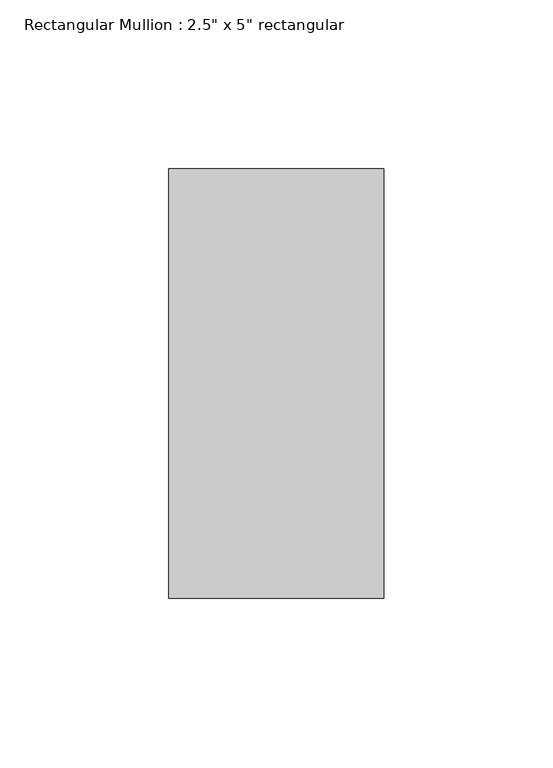
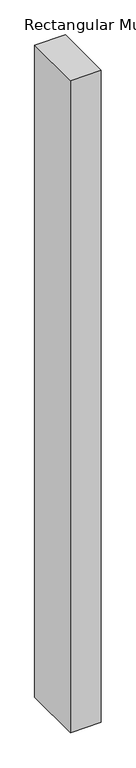
"""IFC4 building model written with IfcOpenShell, lengths in millimetres: member geometry."""

import ifcopenshell
import ifcopenshell.guid

model = None  # the IFC model being written
_history = None  # IfcOwnerHistory: only IFC2X3 demands one
_inside = {}  # id of a spatial element -> (the spatial element, [elements in it])
_under = {}  # id of a project, library or spatial element -> (it, [spatial elements below it])
_declared = {}  # id of a project -> (the project, [libraries it declares])
_typed = {}  # id of a type object -> (the type object, [elements of that type])
_made_of = {}  # id of a material, layer set ... -> (it, [elements and type objects made of it])


def new_model(schema):
    """Start an empty IFC model of exactly this schema.

    Asked for "IFC4X3", IfcOpenShell would pick the latest addendum, in which some entities
    have other attributes; the version numbers below select the first issue.
    IFC2X3 requires an IfcOwnerHistory on every rooted entity: one is made here for all.
    """
    global model, _history
    if schema == "IFC4X3":
        model = ifcopenshell.file(schema_version=(4, 3, 0, 0))
    else:
        model = ifcopenshell.file(schema=schema)
    _inside.clear()
    _under.clear()
    _declared.clear()
    _typed.clear()
    _made_of.clear()
    _history = None
    if model.schema == "IFC2X3":
        org = make("IfcOrganization", Name="unknown")
        user = make(
            "IfcPersonAndOrganization",
            ThePerson=make("IfcPerson", FamilyName="unknown"),
            TheOrganization=org,
        )
        app = make(
            "IfcApplication",
            ApplicationDeveloper=org,
            Version="unknown",
            ApplicationFullName="unknown",
            ApplicationIdentifier="unknown",
        )
        _history = make(
            "IfcOwnerHistory",
            OwningUser=user,
            OwningApplication=app,
            ChangeAction="ADDED",
            CreationDate=0,
        )
    return model


def make(cls, **values):
    """One entity of the class cls with the attributes given. An attribute that is None is left unset."""
    return model.create_entity(
        cls, **{name: value for name, value in values.items() if value is not None}
    )


def rooted(cls, **values):
    """An entity with a GlobalId (a new one), such as an element, a storey or a relation."""
    return make(cls, GlobalId=ifcopenshell.guid.new(), OwnerHistory=_history, **values)


def si_unit(unit_type, name, prefix=None):
    """IfcSIUnit, for example si_unit("LENGTHUNIT", "METRE", prefix="MILLI")."""
    return make("IfcSIUnit", UnitType=unit_type, Prefix=prefix, Name=name)


def assignment(units):
    """IfcUnitAssignment: the units of a project."""
    return None if units is None else make("IfcUnitAssignment", Units=units)


def point(xyz):
    """IfcCartesianPoint."""
    return None if xyz is None else make("IfcCartesianPoint", Coordinates=xyz)


def direction(xyz):
    """IfcDirection."""
    return None if xyz is None else make("IfcDirection", DirectionRatios=xyz)


def frame(location, z_axis=None, x_axis=None):
    """IfcAxis2Placement3D, a coordinate frame: its origin and axes. An axis left out is left unset."""
    return make(
        "IfcAxis2Placement3D",
        Location=point(location),
        Axis=direction(z_axis),
        RefDirection=direction(x_axis),
    )


def origin():
    """The frame at (0, 0, 0) with its axes left unset."""
    return frame((0.0, 0.0, 0.0))


def place(relative_to, where):
    """IfcLocalPlacement: puts the frame where relative to a parent placement (None: the world)."""
    return make(
        "IfcLocalPlacement", PlacementRelTo=relative_to, RelativePlacement=where
    )


def context(
    kind, dimensions, precision=None, world=None, true_north=None, identifier=None
):
    """IfcGeometricRepresentationContext, for example the 3D "Model" context."""
    return make(
        "IfcGeometricRepresentationContext",
        ContextIdentifier=identifier,
        ContextType=kind,
        CoordinateSpaceDimension=dimensions,
        Precision=precision,
        WorldCoordinateSystem=world,
        TrueNorth=true_north,
    )


def project(units=None, contexts=None):
    """IfcProject with its units and contexts."""
    return rooted(
        "IfcProject",
        Name="project",
        RepresentationContexts=contexts,
        UnitsInContext=assignment(units),
    )


def spatial(cls, under=None, at=None, **own):
    """A site, building, storey or space (cls), placed at a placement, below another one or the project."""
    s = rooted(cls, ObjectPlacement=at, **own)
    if under is not None:
        _under.setdefault(under.id(), (under, []))[1].append(s)
    return s


def polyline(points):
    """IfcPolyline through the points."""
    return make("IfcPolyline", Points=[point(p) for p in points])


def outline(outer, holes=None, kind="AREA"):
    """IfcArbitraryClosedProfileDef: a profile drawn as a closed curve; with holes, ...WithVoids."""
    if holes is None:
        return make("IfcArbitraryClosedProfileDef", ProfileType=kind, OuterCurve=outer)
    return make(
        "IfcArbitraryProfileDefWithVoids",
        ProfileType=kind,
        OuterCurve=outer,
        InnerCurves=holes,
    )


def extrude(swept, where, along, depth):
    """IfcExtrudedAreaSolid: the profile swept, set in the frame where, extruded along a direction by depth."""
    return make(
        "IfcExtrudedAreaSolid",
        SweptArea=swept,
        Position=where,
        ExtrudedDirection=direction(along),
        Depth=depth,
    )


def shape(context_of_items, identifier, shape_type, items):
    """IfcShapeRepresentation: the items that make up one representation, for example the "Body"."""
    return make(
        "IfcShapeRepresentation",
        ContextOfItems=context_of_items,
        RepresentationIdentifier=identifier,
        RepresentationType=shape_type,
        Items=items,
    )


def source(mapping_origin, context_of_items, identifier, shape_type, items):
    """IfcRepresentationMap: a shape defined once, which mapped items show again and again."""
    return make(
        "IfcRepresentationMap",
        MappingOrigin=mapping_origin,
        MappedRepresentation=shape(context_of_items, identifier, shape_type, items),
    )


def transform(
    local_origin,
    x_axis=None,
    y_axis=None,
    z_axis=None,
    scale=None,
    scale2=None,
    scale3=None,
    uniform=True,
):
    """IfcCartesianTransformationOperator3D, or its non-uniform kind. x_axis, y_axis, z_axis: its Axis1, 2, 3."""
    if uniform:
        return make(
            "IfcCartesianTransformationOperator3D",
            Axis1=direction(x_axis),
            Axis2=direction(y_axis),
            LocalOrigin=point(local_origin),
            Scale=scale,
            Axis3=direction(z_axis),
        )
    return make(
        "IfcCartesianTransformationOperator3DnonUniform",
        Axis1=direction(x_axis),
        Axis2=direction(y_axis),
        LocalOrigin=point(local_origin),
        Scale=scale,
        Axis3=direction(z_axis),
        Scale2=scale2,
        Scale3=scale3,
    )


def mapped(mapping_source, mapping_target):
    """IfcMappedItem: shows the shape of a source again, moved by a transform."""
    return make(
        "IfcMappedItem", MappingSource=mapping_source, MappingTarget=mapping_target
    )


def made_of(thing, what):
    """Note that an element or type object is made of a material, layer set ...; save() writes the relation."""
    if what is not None:
        _made_of.setdefault(what.id(), (what, []))[1].append(thing)
    return thing


def element(
    cls,
    number,
    at=None,
    inside=None,
    cuts=None,
    type_object=None,
    material=None,
    context=None,
    identifier="Body",
    shape_type=None,
    held_by="IfcProductDefinitionShape",
    body=None,
    shapes=None,
    **own,
):
    """One element of the class cls, such as IfcWall. Its Tag is "e" and its number.

    at: its placement. inside: the storey or other place that contains it. cuts: it is an
    opening in that element (IfcRelVoidsElement). A single representation is given by context,
    identifier, shape_type and body (its items); several are given by shapes. held_by: the class
    of the entity that holds the representations. save() writes the other relations.
    """
    e = rooted(cls, Tag="e%d" % number, ObjectPlacement=at, **own)
    if body is not None:
        shapes = [shape(context, identifier, shape_type, body)]
    if shapes is not None:
        e.Representation = make(held_by, Representations=shapes)
    if inside is not None:
        _inside.setdefault(inside.id(), (inside, []))[1].append(e)
    if cuts is not None:
        rooted(
            "IfcRelVoidsElement", RelatingBuildingElement=cuts, RelatedOpeningElement=e
        )
    if type_object is not None:
        _typed.setdefault(type_object.id(), (type_object, []))[1].append(e)
    return made_of(e, material)


def aggregate(whole, parts):
    """IfcRelAggregates: a whole, such as a stair, and the parts it consists of."""
    return rooted("IfcRelAggregates", RelatingObject=whole, RelatedObjects=parts)


def save(model, path):
    """Write the relations noted so far, then the file.

    IfcRelAggregates (storeys below a building ...), IfcRelContainedInSpatialStructure (elements
    in a storey), IfcRelDefinesByType, IfcRelAssociatesMaterial and IfcRelDeclares: one each for
    every whole, place, type object, material and project.
    """
    for whole, parts in _under.values():
        aggregate(whole, parts)
    for where, things in _inside.values():
        rooted(
            "IfcRelContainedInSpatialStructure",
            RelatedElements=things,
            RelatingStructure=where,
        )
    for kind, things in _typed.values():
        rooted("IfcRelDefinesByType", RelatedObjects=things, RelatingType=kind)
    for what, things in _made_of.values():
        rooted("IfcRelAssociatesMaterial", RelatedObjects=things, RelatingMaterial=what)
    for by, libraries in _declared.values():
        rooted("IfcRelDeclares", RelatingContext=by, RelatedDefinitions=libraries)
    model.write(path)


def member_23996847(model_context):
    return source(origin(), model_context, "Body", "SweptSolid", [
        extrude(outline(polyline([(0.0, 63.5), (0.0, -63.5), (-63.5, -63.5), (-63.5, 63.5), (0.0, 63.5)])), frame((0.0, 0.0, -1419.7403241), z_axis=(0.0, 0.0, 1.0), x_axis=(1.0, 0.0, 0.0)), (0.0, 0.0, 1.0), 1419.7403241),
    ])


if __name__ == "__main__":
    model = new_model("IFC4")
    model_context = context("Model", 3, world=origin())
    ifc_project = project(units=[si_unit("LENGTHUNIT", "METRE", prefix="MILLI")], contexts=[model_context])
    site = spatial("IfcSite", under=ifc_project)
    building = spatial("IfcBuilding", under=site)
    placement = place(None, origin())
    member_shape = member_23996847(model_context)
    element("IfcMember", 1, ObjectType="Rectangular Mullion : 2.5\" x 5\" rectangular", at=placement, inside=building, context=model_context, shape_type="MappedRepresentation", body=[
        mapped(member_shape, transform((0.0, 0.0, 0.0), x_axis=(1.0, 0.0, 0.0), y_axis=(0.0, 1.0, 0.0), z_axis=(0.0, 0.0, 1.0))),
    ])
    save(model, "model.ifc")
